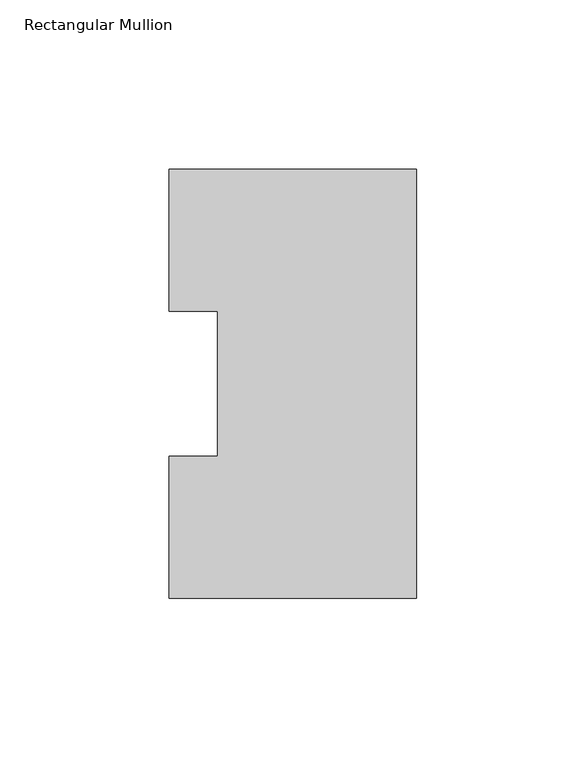
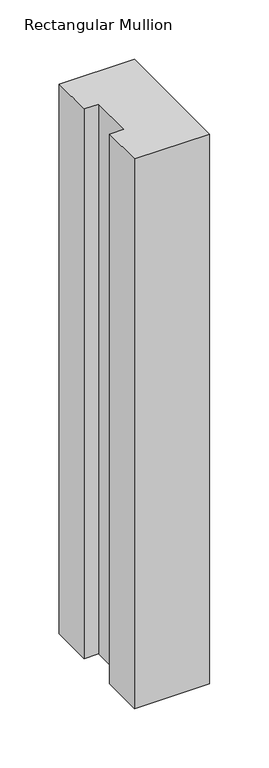
"""IFC4 building model written with IfcOpenShell, lengths in millimetres: member geometry, Rectangular Mullion."""

from ifc_helpers import new_model, si_unit, frame, origin, place, context, project, spatial, polyline, outline, extrude, source, transform, mapped, element, save


def rectangular_mullion_967be380(model_context):
    return source(origin(), model_context, "Body", "SweptSolid", [
        extrude(outline(polyline([(0.0, 126.4546937), (0.0, -0.0373063), (-73.025, -0.0373063), (-73.025, 41.7837937), (-58.7375, 41.7837937), (-58.7375, 84.6335938), (-73.025, 84.6335938), (-73.025, 126.4546937), (0.0, 126.4546937)])), frame((0.0, 0.0, -564.8586938), z_axis=(0.0, 0.0, 1.0), x_axis=(1.0, 0.0, 0.0)), (0.0, 0.0, 1.0), 564.8586938),
    ])


if __name__ == "__main__":
    model = new_model("IFC4")
    model_context = context("Model", 3, world=origin())
    ifc_project = project(units=[si_unit("LENGTHUNIT", "METRE", prefix="MILLI")], contexts=[model_context])
    site = spatial("IfcSite", under=ifc_project)
    building = spatial("IfcBuilding", under=site)
    placement = place(None, origin())
    rectangular_mullion_shape = rectangular_mullion_967be380(model_context)
    element("IfcMember", 1, ObjectType="Rectangular Mullion", at=placement, inside=building, context=model_context, shape_type="MappedRepresentation", body=[
        mapped(rectangular_mullion_shape, transform((0.0, 0.0, 0.0), x_axis=(1.0, 0.0, 0.0), y_axis=(0.0, 1.0, 0.0), z_axis=(0.0, 0.0, 1.0))),
    ])
    save(model, "model.ifc")
